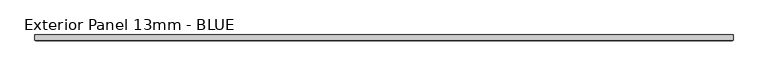
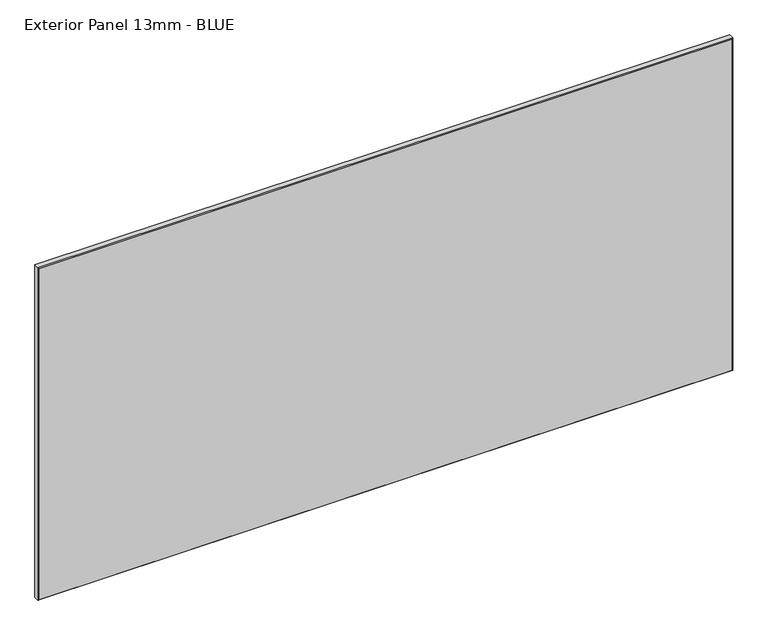
"""IFC4 building model written with IfcOpenShell, lengths in millimetres: proxy geometry, Exterior Panel 13mm - BLUE."""

from ifc_helpers import new_model, si_unit, origin, place, context, project, spatial, faceted_brep, source, transform, mapped, element, save


def exterior_panel_13mm_blue_eb8b1c78(model_context):
    return source(origin(), model_context, "Body", "Brep", [
        faceted_brep([(1090.6125, 6.35, 757.2375), (-406.4, 6.35, 757.2375), (-406.4, -4.7625, 757.2375), (1090.6125, -4.7625, 757.2375), (1090.6125, 6.35, 0.0), (1090.6125, -4.7625, 0.0), (-406.4, -4.7625, 0.0), (-406.4, 6.35, 0.0), (-404.8125, -6.35, 755.65), (-404.8125, -6.35, 1.5875), (1089.025, -6.35, 1.5875), (1089.025, -6.35, 755.65)], [[[0, 1, 2, 3]], [[4, 5, 6, 7]], [[1, 0, 4, 7]], [[2, 1, 7, 6]], [[8, 9, 10, 11]], [[0, 3, 5, 4]], [[2, 6, 9, 8]], [[5, 3, 11, 10]], [[3, 2, 8, 11]], [[6, 5, 10, 9]]]),
    ])


if __name__ == "__main__":
    model = new_model("IFC4")
    model_context = context("Model", 3, world=origin())
    ifc_project = project(units=[si_unit("LENGTHUNIT", "METRE", prefix="MILLI")], contexts=[model_context])
    site = spatial("IfcSite", under=ifc_project)
    building = spatial("IfcBuilding", under=site)
    placement = place(None, origin())
    exterior_panel_13mm_blue_shape = exterior_panel_13mm_blue_eb8b1c78(model_context)
    element("IfcBuildingElementProxy", 1, Name="Exterior Panel 13mm - BLUE", ObjectType="Exterior Panel 13mm - BLUE", at=placement, inside=building, context=model_context, shape_type="MappedRepresentation", body=[
        mapped(exterior_panel_13mm_blue_shape, transform((0.0, 0.0, 0.0), x_axis=(1.0, 0.0, 0.0), y_axis=(0.0, 1.0, 0.0), z_axis=(0.0, 0.0, 1.0))),
    ])
    save(model, "model.ifc")
